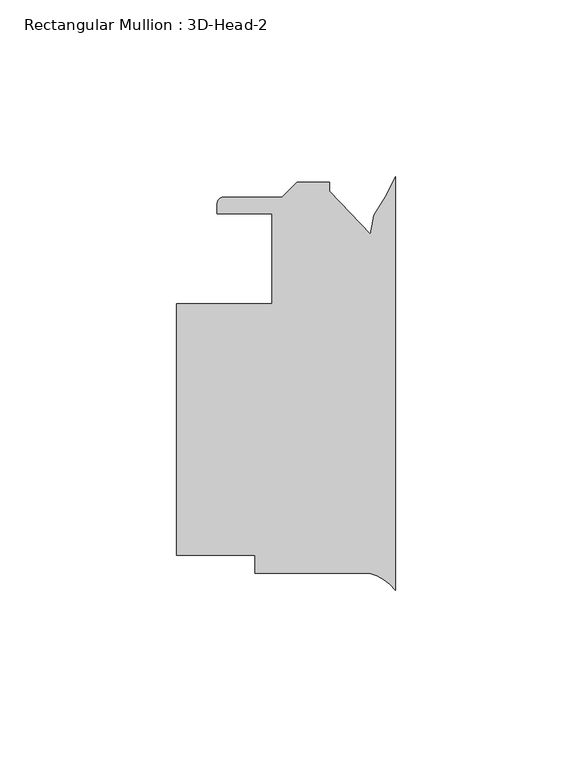
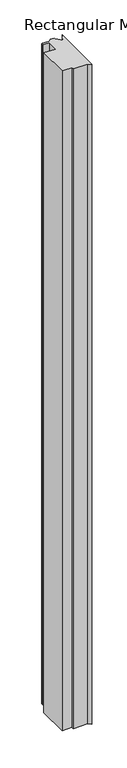
"""IFC4 building model written with IfcOpenShell, lengths in millimetres: member geometry, Rectangular Mullion : 3D-Head-2."""

from ifc_helpers import new_model, si_unit, point, frame, frame_2d, origin, place, context, project, spatial, polyline, circle_curve, trimmed, segment, composite_curve, outline, extrude, source, transform, mapped, element, save


def rectangular_mullion_3d_head_2_48f4dc8b(model_context):
    return source(origin(), model_context, "Body", "SweptSolid", [
        extrude(outline(composite_curve([segment(polyline([(-61.9125, -56.9319403), (-61.9125, 14.1880597), (-34.9250005, 14.1880597), (-34.9250005, 39.5880596), (-50.4261495, 39.5880596), (-50.4261495, 42.5090597)]), True, "CONTINUOUS"), segment(trimmed(circle_curve(frame_2d((-48.6481495, 42.5090597)), 1.778), [point((-50.4261495, 42.5090597))], [point((-48.6481495, 44.2870597))], False, "CARTESIAN"), True, "CONTINUOUS"), segment(polyline([(-48.6481495, 44.2870597), (-32.0436417, 44.2870597), (-27.7764417, 48.5542597), (-18.6761495, 48.5542597), (-18.6761495, 46.0142597), (-7.0515961, 33.8084786), (-6.0929444, 39.2452623)]), True, "CONTINUOUS"), segment(trimmed(circle_curve(frame_2d((-51.6557302, 72.0017016)), 56.1155216), [point((-6.0929444, 39.2452623))], [point((0.0, 50.0782599))], True, "CARTESIAN"), True, "CONTINUOUS"), segment(polyline([(0.0, 50.0782599), (0.0, -66.8505051)]), True, "CONTINUOUS"), segment(trimmed(circle_curve(frame_2d((-10.8196816, -75.2427539)), 13.6928942), [point((0.0, -66.8505051))], [point((-7.2925126, -62.0119403))], True, "CARTESIAN"), True, "CONTINUOUS"), segment(polyline([(-7.2925126, -62.0119403), (-39.6875, -62.0119403), (-39.6875, -56.9319403), (-61.9125, -56.9319403)]), True, "CONTINUOUS")], self_intersect=False)), frame((0.0, 0.0, -1590.6750002), z_axis=(0.0, 0.0, 1.0), x_axis=(1.0, 0.0, 0.0)), (0.0, 0.0, 1.0), 1590.6750002),
    ])


if __name__ == "__main__":
    model = new_model("IFC4")
    model_context = context("Model", 3, world=origin())
    ifc_project = project(units=[si_unit("LENGTHUNIT", "METRE", prefix="MILLI")], contexts=[model_context])
    site = spatial("IfcSite", under=ifc_project)
    building = spatial("IfcBuilding", under=site)
    placement = place(None, origin())
    rectangular_mullion_3d_head_2_shape = rectangular_mullion_3d_head_2_48f4dc8b(model_context)
    element("IfcMember", 1, ObjectType="Rectangular Mullion : 3D-Head-2", at=placement, inside=building, context=model_context, shape_type="MappedRepresentation", body=[
        mapped(rectangular_mullion_3d_head_2_shape, transform((0.0, 0.0, 0.0), x_axis=(1.0, 0.0, 0.0), y_axis=(0.0, 1.0, 0.0), z_axis=(0.0, 0.0, 1.0))),
    ])
    save(model, "model.ifc")
